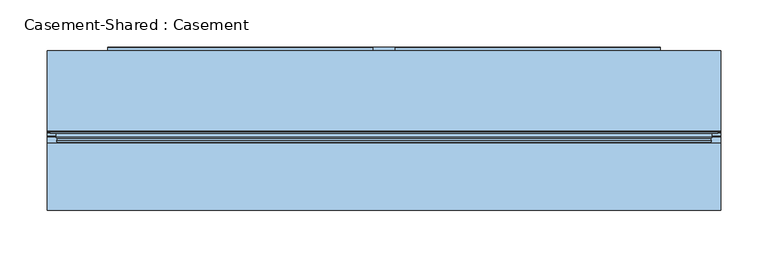
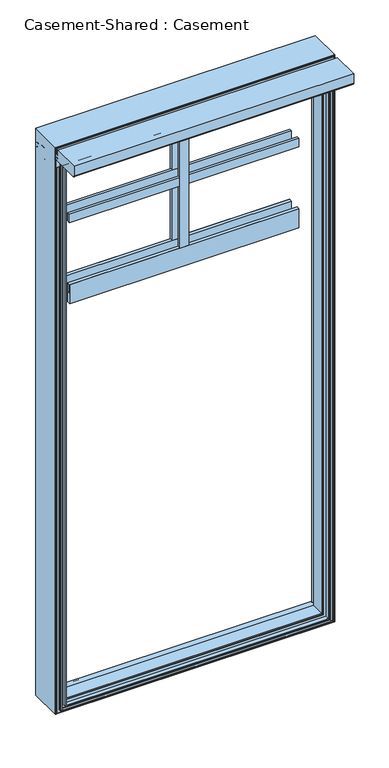
"""IFC4 building model written with IfcOpenShell, lengths in millimetres: window geometry, Casement-Shared : Casement."""

from ifc_helpers import new_model, si_unit, point, frame, frame_2d, origin, place, context, project, spatial, polyline, circle_curve, ellipse_curve, trimmed, segment, composite_curve, outline, extrude, source, transform, mapped, element, save
from ifc_brep_helpers import plane_surface, cylinder_surface, advanced_brep


def casement_shared_casement_5e302ec0(model_context):
    return source(origin(), model_context, "Body", "SolidModel", [
        extrude(outline(polyline([(291.703125, 65.7177777), (-291.703125, 65.7177777), (-291.703125, 73.4218751), (291.703125, 73.4218751), (291.703125, 65.7177777)])), frame((0.0, 0.0, 2185.590625), z_axis=(0.0, 0.0, 1.0), x_axis=(1.0, 0.0, 0.0)), (0.0, 0.0, 1.0), 22.225),
        extrude(outline(polyline([(291.703125, 65.7177777), (-291.703125, 65.7177777), (-291.703125, 73.4218751), (291.703125, 73.4218751), (291.703125, 65.7177777)])), frame((0.0, 0.0, 1996.678125), z_axis=(0.0, 0.0, 1.0), x_axis=(1.0, 0.0, 0.0)), (0.0, 0.0, 1.0), 22.225),
        extrude(outline(polyline([(11.1125, 65.0875001), (-11.1125, 65.0875001), (-11.1125, 73.4218751), (11.1125, 73.4218751), (11.1125, 65.0875001)])), frame((0.0, 0.0, 2018.903125), z_axis=(0.0, 0.0, 1.0), x_axis=(1.0, 0.0, 0.0)), (0.0, 0.0, 1.0), 355.6),
        extrude(outline(polyline([(291.703125, 65.0875001), (-291.703125, 65.0875001), (-291.703125, 73.4218751), (291.703125, 73.4218751), (291.703125, 65.0875001)])), frame((0.0, 0.0, 1968.103125), z_axis=(0.0, 0.0, 1.0), x_axis=(1.0, 0.0, 0.0)), (0.0, 0.0, 1.0), 50.8),
        extrude(outline(polyline([(-291.703125, 106.5259725), (291.703125, 106.5259725), (291.703125, 98.8218751), (-291.703125, 98.8218751), (-291.703125, 106.5259725)])), frame((0.0, 0.0, 2185.590625), z_axis=(0.0, 0.0, 1.0), x_axis=(1.0, 0.0, 0.0)), (0.0, 0.0, 1.0), 22.225),
        extrude(outline(polyline([(-291.703125, 106.5259725), (291.703125, 106.5259725), (291.703125, 98.8218751), (-291.703125, 98.8218751), (-291.703125, 106.5259725)])), frame((0.0, 0.0, 1996.678125), z_axis=(0.0, 0.0, 1.0), x_axis=(1.0, 0.0, 0.0)), (0.0, 0.0, 1.0), 22.225),
        extrude(outline(polyline([(-11.1125, 107.1562501), (11.1125, 107.1562501), (11.1125, 98.8218751), (-11.1125, 98.8218751), (-11.1125, 107.1562501)])), frame((0.0, 0.0, 2018.903125), z_axis=(0.0, 0.0, 1.0), x_axis=(1.0, 0.0, 0.0)), (0.0, 0.0, 1.0), 355.6),
        extrude(outline(polyline([(-291.703125, 107.1562501), (291.703125, 107.1562501), (291.703125, 98.8218751), (-291.703125, 98.8218751), (-291.703125, 107.1562501)])), frame((0.0, 0.0, 1968.103125), z_axis=(0.0, 0.0, 1.0), x_axis=(1.0, 0.0, 0.0)), (0.0, 0.0, 1.0), 50.8),
        advanced_brep(
        [(-338.1375, 63.8968751, 2420.9375), (-338.1375, 89.8216812, 2420.9375), (338.1375, 89.8216812, 2420.9375), (338.1375, 63.8968751, 2420.9375), (-326.23125, 59.8229148, 2409.03125), (-330.3052102, 63.8968751, 2413.1052102), (330.3052102, 63.8968751, 2413.1052102), (326.23125, 59.8229148, 2409.03125), (-326.23125, 24.0431242, 2409.03125), (326.23125, 24.0431242, 2409.03125), (-333.375, 20.4068759, 2416.175), (-333.375, 24.0431242, 2416.175), (333.375, 24.0431242, 2416.175), (333.375, 20.4068759, 2416.175), (-326.23125, 18.6531251, 2409.03125), (-326.23125, 20.4068759, 2409.03125), (326.23125, 20.4068759, 2409.03125), (326.23125, 18.6531251, 2409.03125), (-333.375, 8.1359376, 2416.175), (-333.375, 18.6531251, 2416.175), (333.375, 18.6531251, 2416.175), (333.375, 8.1359376, 2416.175), (-335.359375, 8.1359376, 2418.159375), (335.359375, 8.1359376, 2418.159375), (-335.359375, 16.6687501, 2418.159375), (335.359375, 16.6687501, 2418.159375), (-344.090625, 11.954775, 2426.890625), (-344.090625, 16.6687501, 2426.890625), (344.090625, 16.6687501, 2426.890625), (344.090625, 11.954775, 2426.890625), (-342.3979148, 12.4083353, 2425.1979148), (342.3979148, 12.4083353, 2425.1979148), (-343.6115088, 7.8791405, 2426.4115088), (343.6115088, 7.8791405, 2426.4115088), (-345.5282679, 8.3927346, 2428.3282679), (345.5282679, 8.3927346, 2428.3282679), (-344.9978709, 10.3722032, 2427.7978709), (344.9978709, 10.3722032, 2427.7978709), (-346.075, 12.2857942, 2428.875), (346.075, 12.2857942, 2428.875), (-346.075, 16.6687501, 2428.875), (346.075, 16.6687501, 2428.875), (-352.6234375, 18.2562501, 2435.4234375), (-352.6234375, 16.6687501, 2435.4234375), (352.6234375, 16.6687501, 2435.4234375), (352.6234375, 18.2562501, 2435.4234375), (-351.63125, 18.5102501, 2434.43125), (351.63125, 18.5102501, 2434.43125), (-351.63125, 24.6062501, 2434.43125), (351.63125, 24.6062501, 2434.43125), (-353.615625, 20.3086842, 2436.415625), (-353.615625, 24.6062501, 2436.415625), (353.615625, 24.6062501, 2436.415625), (353.615625, 20.3086842, 2436.415625), (-354.687981, 18.3832501, 2437.487981), (354.687981, 18.3832501, 2437.487981), (-355.6, 18.3832501, 2438.4), (355.6, 18.3832501, 2438.4), (-355.6, 103.5843751, 2438.4), (355.6, 103.5843751, 2438.4), (338.1375, 89.8216812, 931.8625), (338.1375, 63.8968751, 931.8625), (330.3052102, 63.8968751, 939.6947898), (326.23125, 59.8229148, 943.76875), (326.23125, 24.0431242, 943.76875), (333.375, 24.0431242, 936.625), (333.375, 20.4068759, 936.625), (326.23125, 20.4068759, 943.76875), (326.23125, 18.6531251, 943.76875), (333.375, 18.6531251, 936.625), (333.375, 8.1359376, 936.625), (335.359375, 8.1359376, 934.640625), (335.359375, 16.6687501, 934.640625), (344.090625, 16.6687501, 925.909375), (344.090625, 11.954775, 925.909375), (342.3979148, 12.4083353, 927.6020852), (343.6115088, 7.8791405, 926.3884912), (345.5282679, 8.3927346, 924.4717321), (344.9978709, 10.3722032, 925.0021291), (346.075, 12.2857942, 923.925), (346.075, 16.6687501, 923.925), (352.6234375, 16.6687501, 917.3765625), (352.6234375, 18.2562501, 917.3765625), (351.63125, 18.5102501, 918.36875), (351.63125, 24.6062501, 918.36875), (353.615625, 24.6062501, 916.384375), (353.615625, 20.3086842, 916.384375), (354.687981, 18.3832501, 915.312019), (355.6, 18.3832501, 914.4), (355.6, 103.5843751, 914.4), (-338.1375, 89.8216812, 931.8625), (-338.1375, 63.8968751, 931.8625), (-330.3052102, 63.8968751, 939.6947898), (-326.23125, 59.8229148, 943.76875), (-326.23125, 24.0431242, 943.76875), (-333.375, 24.0431242, 936.625), (-333.375, 20.4068759, 936.625), (-326.23125, 20.4068759, 943.76875), (-326.23125, 18.6531251, 943.76875), (-333.375, 18.6531251, 936.625), (-333.375, 8.1359376, 936.625), (-335.359375, 8.1359376, 934.640625), (-335.359375, 16.6687501, 934.640625), (-344.090625, 16.6687501, 925.909375), (-344.090625, 11.954775, 925.909375), (-342.3979148, 12.4083353, 927.6020852), (-343.6115088, 7.8791405, 926.3884912), (-345.5282679, 8.3927346, 924.4717321), (-344.9978709, 10.3722032, 925.0021291), (-346.075, 12.2857942, 923.925), (-346.075, 16.6687501, 923.925), (-352.6234375, 16.6687501, 917.3765625), (-352.6234375, 18.2562501, 917.3765625), (-351.63125, 18.5102501, 918.36875), (-351.63125, 24.6062501, 918.36875), (-353.615625, 24.6062501, 916.384375), (-353.615625, 20.3086842, 916.384375), (-354.687981, 18.3832501, 915.312019), (-355.6, 18.3832501, 914.4), (-355.6, 103.5843751, 914.4), (-352.8202442, 101.4973017, 2435.6202442), (-352.8202442, 103.5843751, 2435.6202442), (352.8202442, 103.5843751, 2435.6202442), (352.8202442, 101.4973017, 2435.6202442), (-353.614659, 95.3928751, 2436.414659), (-353.614659, 101.4973017, 2436.414659), (353.614659, 101.4973017, 2436.414659), (353.614659, 95.3928751, 2436.414659), (-351.5972205, 99.817441, 2434.3972205), (-351.6333225, 95.3928751, 2434.4333225), (351.6333225, 95.3928751, 2434.4333225), (351.5972205, 99.817441, 2434.3972205), (-349.646875, 101.7677864, 2432.446875), (349.646875, 101.7677864, 2432.446875), (-349.646875, 95.3928751, 2432.446875), (349.646875, 95.3928751, 2432.446875), (-346.7302122, 94.2736876, 2429.5302122), (-348.6687018, 95.3928751, 2431.4687018), (348.6687018, 95.3928751, 2431.4687018), (346.7302122, 94.2736876, 2429.5302122), (-342.4061354, 86.7841668, 2425.2061354), (342.4061354, 86.7841668, 2425.2061354), (-342.10625, 85.6649793, 2424.90625), (342.10625, 85.6649793, 2424.90625), (-342.10625, 81.8991251, 2424.90625), (342.10625, 81.8991251, 2424.90625), (-340.121875, 87.9951251, 2422.921875), (-340.121875, 81.8991251, 2422.921875), (340.121875, 81.8991251, 2422.921875), (340.121875, 87.9951251, 2422.921875), (-341.1197561, 89.024415, 2423.9197561), (341.1197561, 89.024415, 2423.9197561), (-340.32249, 89.8216812, 2423.12249), (340.32249, 89.8216812, 2423.12249), (352.8202442, 103.5843751, 917.1797558), (352.8202442, 101.4973017, 917.1797558), (353.614659, 101.4973017, 916.385341), (353.614659, 95.3928751, 916.385341), (351.6333225, 95.3928751, 918.3666775), (351.5972205, 99.817441, 918.4027795), (349.646875, 101.7677864, 920.353125), (349.646875, 95.3928751, 920.353125), (348.6687018, 95.3928751, 921.3312982), (346.7302122, 94.2736876, 923.2697878), (342.4061354, 86.7841668, 927.5938646), (342.10625, 85.6649793, 927.89375), (342.10625, 81.8991251, 927.89375), (340.121875, 81.8991251, 929.878125), (340.121875, 87.9951251, 929.878125), (341.1197561, 89.024415, 928.8802439), (340.32249, 89.8216812, 929.67751), (-352.8202442, 103.5843751, 917.1797558), (-352.8202442, 101.4973017, 917.1797558), (-353.614659, 101.4973017, 916.385341), (-353.614659, 95.3928751, 916.385341), (-351.6333225, 95.3928751, 918.3666775), (-351.5972205, 99.817441, 918.4027795), (-349.646875, 101.7677864, 920.353125), (-349.646875, 95.3928751, 920.353125), (-348.6687018, 95.3928751, 921.3312982), (-346.7302122, 94.2736876, 923.2697878), (-342.4061354, 86.7841668, 927.5938646), (-342.10625, 85.6649793, 927.89375), (-342.10625, 81.8991251, 927.89375), (-340.121875, 81.8991251, 929.878125), (-340.121875, 87.9951251, 929.878125), (-341.1197561, 89.024415, 928.8802439), (-340.32249, 89.8216812, 929.67751)],
        [
            (0, 1),
            (1, 2),
            (2, 3),
            (3, 0),
            (4, 5),
            (5, 6),
            (6, 7),
            (7, 4),
            (8, 4),
            (7, 9),
            (9, 8),
            (10, 11),
            (11, 12),
            (12, 13),
            (13, 10),
            (14, 15),
            (15, 16),
            (16, 17),
            (17, 14),
            (18, 19),
            (19, 20),
            (20, 21),
            (21, 18),
            (22, 18, ellipse_curve(frame((-334.3671875, 8.1359376, 2417.1671875), z_axis=(0.7071067811865475, 0.0, 0.7071067811865475), x_axis=(-0.7071067811865476, 0.0, 0.7071067811865474)), 1.403165, 0.9921875)),
            (21, 23, ellipse_curve(frame((334.3671875, 8.1359376, 2417.1671875), z_axis=(-0.7071067811865475, 0.0, 0.7071067811865475), x_axis=(-0.7071067811865476, 0.0, -0.7071067811865474)), 1.403165, 0.9921875)),
            (23, 22),
            (24, 22),
            (23, 25),
            (25, 24),
            (26, 27),
            (27, 28),
            (28, 29),
            (29, 26),
            (30, 26),
            (29, 31),
            (31, 30),
            (32, 30),
            (31, 33),
            (33, 32),
            (34, 32, ellipse_curve(frame((-344.5698884, 8.1359376, 2427.3698884), z_axis=(0.7071067811865475, 0.0, 0.7071067811865475), x_axis=(-0.7071067811865476, 0.0, 0.7071067811865474)), 1.403165, 0.9921875)),
            (33, 35, ellipse_curve(frame((344.5698884, 8.1359376, 2427.3698884), z_axis=(-0.7071067811865475, 0.0, 0.7071067811865475), x_axis=(-0.7071067811865476, 0.0, -0.7071067811865474)), 1.403165, 0.9921875)),
            (35, 34),
            (36, 34),
            (35, 37),
            (37, 36),
            (38, 36, ellipse_curve(frame((-343.836625, 12.2857942, 2426.636625), z_axis=(0.7071067811865475, 0.0, 0.7071067811865475), x_axis=(-0.7071067811865476, 0.0, 0.7071067811865474)), 3.1655403, 2.238375)),
            (37, 39, ellipse_curve(frame((343.836625, 12.2857942, 2426.636625), z_axis=(-0.7071067811865475, 0.0, 0.7071067811865475), x_axis=(-0.7071067811865476, 0.0, -0.7071067811865474)), 3.1655403, 2.238375)),
            (39, 38),
            (40, 38),
            (39, 41),
            (41, 40),
            (42, 43),
            (43, 44),
            (44, 45),
            (45, 42),
            (46, 42),
            (45, 47),
            (47, 46),
            (48, 46),
            (47, 49),
            (49, 48),
            (50, 51),
            (51, 52),
            (52, 53),
            (53, 50),
            (54, 50),
            (53, 55),
            (55, 54),
            (56, 54, ellipse_curve(frame((-355.1439905, 18.3832501, 2437.9439905), z_axis=(0.7071067811865475, 0.0, 0.7071067811865475), x_axis=(-0.7071067811865476, 0.0, 0.7071067811865474)), 0.6448949, 0.4560095)),
            (55, 57, ellipse_curve(frame((355.1439905, 18.3832501, 2437.9439905), z_axis=(-0.7071067811865475, 0.0, 0.7071067811865475), x_axis=(-0.7071067811865476, 0.0, -0.7071067811865474)), 0.6448949, 0.4560095)),
            (57, 56),
            (58, 56),
            (57, 59),
            (59, 58),
            (2, 60),
            (60, 61),
            (61, 3),
            (6, 62),
            (62, 63),
            (63, 7),
            (63, 64),
            (64, 9),
            (12, 65),
            (65, 66),
            (66, 13),
            (16, 67),
            (67, 68),
            (68, 17),
            (20, 69),
            (69, 70),
            (70, 21),
            (70, 71, ellipse_curve(frame((334.3671875, 8.1359376, 935.6328125), z_axis=(0.7071067811865475, 0.0, 0.7071067811865475), x_axis=(-0.7071067811865474, 0.0, 0.7071067811865476)), 1.403165, 0.9921875)),
            (71, 23),
            (71, 72),
            (72, 25),
            (28, 73),
            (73, 74),
            (74, 29),
            (74, 75),
            (75, 31),
            (75, 76),
            (76, 33),
            (76, 77, ellipse_curve(frame((344.5698884, 8.1359376, 925.4301116), z_axis=(0.7071067811865475, 0.0, 0.7071067811865475), x_axis=(-0.7071067811865474, 0.0, 0.7071067811865476)), 1.403165, 0.9921875)),
            (77, 35),
            (77, 78),
            (78, 37),
            (78, 79, ellipse_curve(frame((343.836625, 12.2857942, 926.163375), z_axis=(0.7071067811865475, 0.0, 0.7071067811865475), x_axis=(-0.7071067811865474, 0.0, 0.7071067811865476)), 3.1655403, 2.238375)),
            (79, 39),
            (79, 80),
            (80, 41),
            (44, 81),
            (81, 82),
            (82, 45),
            (82, 83),
            (83, 47),
            (83, 84),
            (84, 49),
            (52, 85),
            (85, 86),
            (86, 53),
            (86, 87),
            (87, 55),
            (87, 88, ellipse_curve(frame((355.1439905, 18.3832501, 914.8560095), z_axis=(0.7071067811865475, 0.0, 0.7071067811865475), x_axis=(-0.7071067811865474, 0.0, 0.7071067811865476)), 0.6448949, 0.4560095)),
            (88, 57),
            (88, 89),
            (89, 59),
            (60, 90),
            (90, 91),
            (91, 61),
            (62, 92),
            (92, 93),
            (93, 63),
            (93, 94),
            (94, 64),
            (65, 95),
            (95, 96),
            (96, 66),
            (67, 97),
            (97, 98),
            (98, 68),
            (69, 99),
            (99, 100),
            (100, 70),
            (100, 101, ellipse_curve(frame((-334.3671875, 8.1359376, 935.6328125), z_axis=(0.7071067811865475, 0.0, -0.7071067811865475), x_axis=(0.7071067811865476, 0.0, 0.7071067811865474)), 1.403165, 0.9921875)),
            (101, 71),
            (101, 102),
            (102, 72),
            (73, 103),
            (103, 104),
            (104, 74),
            (104, 105),
            (105, 75),
            (105, 106),
            (106, 76),
            (106, 107, ellipse_curve(frame((-344.5698884, 8.1359376, 925.4301116), z_axis=(0.7071067811865475, 0.0, -0.7071067811865475), x_axis=(0.7071067811865476, 0.0, 0.7071067811865474)), 1.403165, 0.9921875)),
            (107, 77),
            (107, 108),
            (108, 78),
            (108, 109, ellipse_curve(frame((-343.836625, 12.2857942, 926.163375), z_axis=(0.7071067811865475, 0.0, -0.7071067811865475), x_axis=(0.7071067811865476, 0.0, 0.7071067811865474)), 3.1655403, 2.238375)),
            (109, 79),
            (109, 110),
            (110, 80),
            (81, 111),
            (111, 112),
            (112, 82),
            (112, 113),
            (113, 83),
            (113, 114),
            (114, 84),
            (85, 115),
            (115, 116),
            (116, 86),
            (116, 117),
            (117, 87),
            (117, 118, ellipse_curve(frame((-355.1439905, 18.3832501, 914.8560095), z_axis=(0.7071067811865475, 0.0, -0.7071067811865475), x_axis=(0.7071067811865476, 0.0, 0.7071067811865474)), 0.6448949, 0.4560095)),
            (118, 88),
            (118, 119),
            (119, 89),
            (90, 1),
            (0, 91),
            (5, 92),
            (4, 93),
            (8, 94),
            (11, 95),
            (10, 96),
            (15, 97),
            (14, 98),
            (19, 99),
            (18, 100),
            (22, 101),
            (24, 102),
            (27, 103),
            (26, 104),
            (30, 105),
            (32, 106),
            (34, 107),
            (36, 108),
            (38, 109),
            (40, 110),
            (43, 111),
            (42, 112),
            (46, 113),
            (48, 114),
            (51, 115),
            (50, 116),
            (54, 117),
            (56, 118),
            (58, 119),
            (120, 121),
            (121, 122),
            (122, 123),
            (123, 120),
            (124, 125),
            (125, 126),
            (126, 127),
            (127, 124),
            (128, 129),
            (129, 130),
            (130, 131),
            (131, 128),
            (132, 128),
            (131, 133),
            (133, 132),
            (134, 132),
            (133, 135),
            (135, 134),
            (136, 137, ellipse_curve(frame((-348.6687018, 93.1545001, 2431.4687018), z_axis=(0.7071067811865475, 0.0, 0.7071067811865475), x_axis=(-0.7071067811865476, 0.0, 0.7071067811865474)), 3.1655403, 2.238375)),
            (137, 138),
            (138, 139, ellipse_curve(frame((348.6687018, 93.1545001, 2431.4687018), z_axis=(-0.7071067811865475, 0.0, 0.7071067811865475), x_axis=(-0.7071067811865476, 0.0, -0.7071067811865474)), 3.1655403, 2.238375)),
            (139, 136),
            (140, 136),
            (139, 141),
            (141, 140),
            (142, 140, ellipse_curve(frame((-344.344625, 85.6649793, 2427.144625), z_axis=(0.7071067811865475, 0.0, 0.7071067811865475), x_axis=(-0.7071067811865476, 0.0, 0.7071067811865474)), 3.1655403, 2.238375)),
            (141, 143, ellipse_curve(frame((344.344625, 85.6649793, 2427.144625), z_axis=(-0.7071067811865475, 0.0, 0.7071067811865475), x_axis=(-0.7071067811865476, 0.0, -0.7071067811865474)), 3.1655403, 2.238375)),
            (143, 142),
            (144, 142),
            (143, 145),
            (145, 144),
            (146, 147),
            (147, 148),
            (148, 149),
            (149, 146),
            (150, 146),
            (149, 151),
            (151, 150),
            (152, 150, ellipse_curve(frame((-340.32249, 89.024415, 2423.12249), z_axis=(0.7071067811865475, 0.0, 0.7071067811865475), x_axis=(-0.7071067811865476, 0.0, 0.7071067811865474)), 1.1275046, 0.7972662)),
            (151, 153, ellipse_curve(frame((340.32249, 89.024415, 2423.12249), z_axis=(-0.7071067811865475, 0.0, 0.7071067811865475), x_axis=(-0.7071067811865476, 0.0, -0.7071067811865474)), 1.1275046, 0.7972662)),
            (153, 152),
            (122, 154),
            (154, 155),
            (155, 123),
            (126, 156),
            (156, 157),
            (157, 127),
            (130, 158),
            (158, 159),
            (159, 131),
            (159, 160),
            (160, 133),
            (160, 161),
            (161, 135),
            (138, 162),
            (162, 163, ellipse_curve(frame((348.6687018, 93.1545001, 921.3312982), z_axis=(0.7071067811865475, 0.0, 0.7071067811865475), x_axis=(-0.7071067811865474, 0.0, 0.7071067811865476)), 3.1655403, 2.238375)),
            (163, 139),
            (163, 164),
            (164, 141),
            (164, 165, ellipse_curve(frame((344.344625, 85.6649793, 925.655375), z_axis=(0.7071067811865475, 0.0, 0.7071067811865475), x_axis=(-0.7071067811865474, 0.0, 0.7071067811865476)), 3.1655403, 2.238375)),
            (165, 143),
            (165, 166),
            (166, 145),
            (148, 167),
            (167, 168),
            (168, 149),
            (168, 169),
            (169, 151),
            (169, 170, ellipse_curve(frame((340.32249, 89.024415, 929.67751), z_axis=(0.7071067811865475, 0.0, 0.7071067811865475), x_axis=(-0.7071067811865474, 0.0, 0.7071067811865476)), 1.1275046, 0.7972662)),
            (170, 153),
            (154, 171),
            (171, 172),
            (172, 155),
            (156, 173),
            (173, 174),
            (174, 157),
            (158, 175),
            (175, 176),
            (176, 159),
            (176, 177),
            (177, 160),
            (177, 178),
            (178, 161),
            (162, 179),
            (179, 180, ellipse_curve(frame((-348.6687018, 93.1545001, 921.3312982), z_axis=(0.7071067811865475, 0.0, -0.7071067811865475), x_axis=(0.7071067811865476, 0.0, 0.7071067811865474)), 3.1655403, 2.238375)),
            (180, 163),
            (180, 181),
            (181, 164),
            (181, 182, ellipse_curve(frame((-344.344625, 85.6649793, 925.655375), z_axis=(0.7071067811865475, 0.0, -0.7071067811865475), x_axis=(0.7071067811865476, 0.0, 0.7071067811865474)), 3.1655403, 2.238375)),
            (182, 165),
            (182, 183),
            (183, 166),
            (167, 184),
            (184, 185),
            (185, 168),
            (185, 186),
            (186, 169),
            (186, 187, ellipse_curve(frame((-340.32249, 89.024415, 929.67751), z_axis=(0.7071067811865475, 0.0, -0.7071067811865475), x_axis=(0.7071067811865476, 0.0, 0.7071067811865474)), 1.1275046, 0.7972662)),
            (187, 170),
            (121, 171),
            (120, 172),
            (125, 173),
            (124, 174),
            (129, 175),
            (128, 176),
            (132, 177),
            (134, 178),
            (137, 179),
            (136, 180),
            (140, 181),
            (142, 182),
            (144, 183),
            (147, 184),
            (146, 185),
            (150, 186),
            (152, 187),
        ],
        [
            plane_surface(frame((-338.1375, 89.8216812, 2420.9375), z_axis=(0.0, 0.0, -1.0), x_axis=(1.0, 0.0, 0.0))),
            plane_surface(frame((-330.3052102, 63.8968751, 2413.1052102), z_axis=(0.0, 0.7071067811858354, -0.7071067811872597), x_axis=(1.0, 0.0, 0.0))),
            plane_surface(frame((-326.23125, 59.8229148, 2409.03125), z_axis=(0.0, 0.0, -1.0), x_axis=(1.0, 0.0, 0.0))),
            plane_surface(frame((-333.375, 24.0431242, 2416.175), z_axis=(0.0, 0.0, -1.0), x_axis=(1.0, 0.0, 0.0))),
            plane_surface(frame((-326.23125, 20.4068759, 2409.03125), z_axis=(0.0, 0.0, -1.0), x_axis=(1.0, 0.0, 0.0))),
            plane_surface(frame((-333.375, 18.6531251, 2416.175), z_axis=(0.0, 0.0, -1.0), x_axis=(1.0, 0.0, 0.0))),
            cylinder_surface(frame((-355.6, 8.1359376, 2417.1671875), z_axis=(-1.0, 0.0, 0.0), x_axis=(0.0, -1.0, 0.0)), 0.9921875),
            plane_surface(frame((-335.359375, 8.1359376, 2418.159375), z_axis=(0.0, 0.0, 1.0), x_axis=(1.0, 0.0, 0.0))),
            plane_surface(frame((-344.090625, 16.6687501, 2426.890625), z_axis=(0.0, 0.0, -1.0), x_axis=(1.0, 0.0, 0.0))),
            plane_surface(frame((-344.090625, 11.954775, 2426.890625), z_axis=(0.0, 0.9659258262935724, 0.25881904508571146), x_axis=(1.0, 0.0, 0.0))),
            plane_surface(frame((-342.3979148, 12.4083353, 2425.1979148), z_axis=(0.0, -0.2588190451044215, -0.965925826288559), x_axis=(1.0, 0.0, 0.0))),
            cylinder_surface(frame((-355.6, 8.1359376, 2427.3698884), z_axis=(-1.0, 0.0, 0.0), x_axis=(0.0, -1.0, 0.0)), 0.9921875),
            plane_surface(frame((-345.5282679, 8.3927346, 2428.3282679), z_axis=(0.0, 0.25881904510256676, 0.965925826289056), x_axis=(1.0, 0.0, 0.0))),
            cylinder_surface(frame((-355.6, 12.2857942, 2426.636625), z_axis=(-1.0, 0.0, 0.0), x_axis=(0.0, -1.0, 0.0)), 2.238375),
            plane_surface(frame((-346.075, 12.2857942, 2428.875), z_axis=(0.0, 0.0, 1.0), x_axis=(1.0, 0.0, 0.0))),
            plane_surface(frame((-352.6234375, 16.6687501, 2435.4234375), z_axis=(0.0, 0.0, 1.0), x_axis=(1.0, 0.0, 0.0))),
            plane_surface(frame((-352.6234375, 18.2562501, 2435.4234375), z_axis=(0.0, 0.9687594151768831, 0.24800241028293146), x_axis=(1.0, 0.0, 0.0))),
            plane_surface(frame((-351.63125, 18.5102501, 2434.43125), z_axis=(0.0, 0.0, 1.0), x_axis=(1.0, 0.0, 0.0))),
            plane_surface(frame((-353.615625, 24.6062501, 2436.415625), z_axis=(0.0, 0.0, -1.0), x_axis=(1.0, 0.0, 0.0))),
            plane_surface(frame((-353.615625, 20.3086842, 2436.415625), z_axis=(0.0, -0.48656853314646553, -0.8736424111452563), x_axis=(1.0, 0.0, 0.0))),
            cylinder_surface(frame((-355.6, 18.3832501, 2437.9439905), z_axis=(-1.0, 0.0, 0.0), x_axis=(0.0, -1.0, 0.0)), 0.4560095),
            plane_surface(frame((-355.6, 18.3832501, 2438.4), z_axis=(0.0, 0.0, 1.0), x_axis=(1.0, 0.0, 0.0))),
            plane_surface(frame((338.1375, 89.8216812, 2420.9375), z_axis=(-1.0, 0.0, 0.0), x_axis=(0.0, 0.0, -1.0))),
            plane_surface(frame((330.3052102, 63.8968751, 2413.1052102), z_axis=(-0.7071067811872597, 0.7071067811858354, 0.0), x_axis=(0.0, 0.0, -1.0))),
            plane_surface(frame((326.23125, 59.8229148, 2409.03125), z_axis=(-1.0, 0.0, 0.0), x_axis=(0.0, 0.0, -1.0))),
            plane_surface(frame((333.375, 24.0431242, 2416.175), z_axis=(-1.0, 0.0, 0.0), x_axis=(0.0, 0.0, -1.0))),
            plane_surface(frame((326.23125, 20.4068759, 2409.03125), z_axis=(-1.0, 0.0, 0.0), x_axis=(0.0, 0.0, -1.0))),
            plane_surface(frame((333.375, 18.6531251, 2416.175), z_axis=(-1.0, 0.0, 0.0), x_axis=(0.0, 0.0, -1.0))),
            cylinder_surface(frame((334.3671875, 8.1359376, 2438.4), z_axis=(0.0, 0.0, 1.0), x_axis=(0.0, -1.0, 0.0)), 0.9921875),
            plane_surface(frame((335.359375, 8.1359376, 2418.159375), z_axis=(1.0, 0.0, 0.0), x_axis=(0.0, 0.0, -1.0))),
            plane_surface(frame((344.090625, 16.6687501, 2426.890625), z_axis=(-1.0, 0.0, 0.0), x_axis=(0.0, 0.0, -1.0))),
            plane_surface(frame((344.090625, 11.954775, 2426.890625), z_axis=(0.25881904508571146, 0.9659258262935724, 0.0), x_axis=(0.0, 0.0, -1.0))),
            plane_surface(frame((342.3979148, 12.4083353, 2425.1979148), z_axis=(-0.965925826288559, -0.2588190451044215, 0.0), x_axis=(0.0, 0.0, -1.0))),
            cylinder_surface(frame((344.5698884, 8.1359376, 2438.4), z_axis=(0.0, 0.0, 1.0), x_axis=(0.0, -1.0, 0.0)), 0.9921875),
            plane_surface(frame((345.5282679, 8.3927346, 2428.3282679), z_axis=(0.965925826289056, 0.25881904510256676, 0.0), x_axis=(0.0, 0.0, -1.0))),
            cylinder_surface(frame((343.836625, 12.2857942, 2438.4), z_axis=(0.0, 0.0, 1.0), x_axis=(0.0, -1.0, 0.0)), 2.238375),
            plane_surface(frame((346.075, 12.2857942, 2428.875), z_axis=(1.0, 0.0, 0.0), x_axis=(0.0, 0.0, -1.0))),
            plane_surface(frame((352.6234375, 16.6687501, 2435.4234375), z_axis=(1.0, 0.0, 0.0), x_axis=(0.0, 0.0, -1.0))),
            plane_surface(frame((352.6234375, 18.2562501, 2435.4234375), z_axis=(0.24800241028293146, 0.9687594151768831, 0.0), x_axis=(0.0, 0.0, -1.0))),
            plane_surface(frame((351.63125, 18.5102501, 2434.43125), z_axis=(1.0, 0.0, 0.0), x_axis=(0.0, 0.0, -1.0))),
            plane_surface(frame((353.615625, 24.6062501, 2436.415625), z_axis=(-1.0, 0.0, 0.0), x_axis=(0.0, 0.0, -1.0))),
            plane_surface(frame((353.615625, 20.3086842, 2436.415625), z_axis=(-0.8736424111452563, -0.48656853314646553, 0.0), x_axis=(0.0, 0.0, -1.0))),
            cylinder_surface(frame((355.1439905, 18.3832501, 2438.4), z_axis=(0.0, 0.0, 1.0), x_axis=(0.0, -1.0, 0.0)), 0.4560095),
            plane_surface(frame((355.6, 18.3832501, 2438.4), z_axis=(1.0, 0.0, 0.0), x_axis=(0.0, 0.0, -1.0))),
            plane_surface(frame((338.1375, 89.8216812, 931.8625), z_axis=(0.0, 0.0, 1.0), x_axis=(-1.0, 0.0, 0.0))),
            plane_surface(frame((330.3052102, 63.8968751, 939.6947898), z_axis=(0.0, 0.7071067811858354, 0.7071067811872597), x_axis=(-1.0, 0.0, 0.0))),
            plane_surface(frame((326.23125, 59.8229148, 943.76875), z_axis=(0.0, 0.0, 1.0), x_axis=(-1.0, 0.0, 0.0))),
            plane_surface(frame((333.375, 24.0431242, 936.625), z_axis=(0.0, 0.0, 1.0), x_axis=(-1.0, 0.0, 0.0))),
            plane_surface(frame((326.23125, 20.4068759, 943.76875), z_axis=(0.0, 0.0, 1.0), x_axis=(-1.0, 0.0, 0.0))),
            plane_surface(frame((333.375, 18.6531251, 936.625), z_axis=(0.0, 0.0, 1.0), x_axis=(-1.0, 0.0, 0.0))),
            cylinder_surface(frame((355.6, 8.1359376, 935.6328125), z_axis=(1.0, 0.0, 0.0), x_axis=(0.0, -1.0, 0.0)), 0.9921875),
            plane_surface(frame((335.359375, 8.1359376, 934.640625), z_axis=(0.0, 0.0, -1.0), x_axis=(-1.0, 0.0, 0.0))),
            plane_surface(frame((344.090625, 16.6687501, 925.909375), z_axis=(0.0, 0.0, 1.0), x_axis=(-1.0, 0.0, 0.0))),
            plane_surface(frame((344.090625, 11.954775, 925.909375), z_axis=(0.0, 0.9659258262935724, -0.25881904508571146), x_axis=(-1.0, 0.0, 0.0))),
            plane_surface(frame((342.3979148, 12.4083353, 927.6020852), z_axis=(0.0, -0.2588190451044215, 0.965925826288559), x_axis=(-1.0, 0.0, 0.0))),
            cylinder_surface(frame((355.6, 8.1359376, 925.4301116), z_axis=(1.0, 0.0, 0.0), x_axis=(0.0, -1.0, 0.0)), 0.9921875),
            plane_surface(frame((345.5282679, 8.3927346, 924.4717321), z_axis=(0.0, 0.25881904510256676, -0.965925826289056), x_axis=(-1.0, 0.0, 0.0))),
            cylinder_surface(frame((355.6, 12.2857942, 926.163375), z_axis=(1.0, 0.0, 0.0), x_axis=(0.0, -1.0, 0.0)), 2.238375),
            plane_surface(frame((346.075, 12.2857942, 923.925), z_axis=(0.0, 0.0, -1.0), x_axis=(-1.0, 0.0, 0.0))),
            plane_surface(frame((352.6234375, 16.6687501, 917.3765625), z_axis=(0.0, 0.0, -1.0), x_axis=(-1.0, 0.0, 0.0))),
            plane_surface(frame((352.6234375, 18.2562501, 917.3765625), z_axis=(0.0, 0.9687594151768831, -0.24800241028293146), x_axis=(-1.0, 0.0, 0.0))),
            plane_surface(frame((351.63125, 18.5102501, 918.36875), z_axis=(0.0, 0.0, -1.0), x_axis=(-1.0, 0.0, 0.0))),
            plane_surface(frame((353.615625, 24.6062501, 916.384375), z_axis=(0.0, 0.0, 1.0), x_axis=(-1.0, 0.0, 0.0))),
            plane_surface(frame((353.615625, 20.3086842, 916.384375), z_axis=(0.0, -0.48656853314646553, 0.8736424111452563), x_axis=(-1.0, 0.0, 0.0))),
            cylinder_surface(frame((355.6, 18.3832501, 914.8560095), z_axis=(1.0, 0.0, 0.0), x_axis=(0.0, -1.0, 0.0)), 0.4560095),
            plane_surface(frame((355.6, 18.3832501, 914.4), z_axis=(0.0, 0.0, -1.0), x_axis=(-1.0, 0.0, 0.0))),
            plane_surface(frame((-338.1375, 89.8216812, 931.8625), z_axis=(1.0, 0.0, 0.0), x_axis=(0.0, 0.0, 1.0))),
            plane_surface(frame((-338.1375, 63.8968751, 931.8625), z_axis=(0.0, 1.0, 0.0), x_axis=(0.0, 0.0, 1.0))),
            plane_surface(frame((-330.3052102, 63.8968751, 939.6947898), z_axis=(0.7071067811872597, 0.7071067811858354, 0.0), x_axis=(0.0, 0.0, 1.0))),
            plane_surface(frame((-326.23125, 59.8229148, 943.76875), z_axis=(1.0, 0.0, 0.0), x_axis=(0.0, 0.0, 1.0))),
            plane_surface(frame((-326.23125, 24.0431242, 943.76875), z_axis=(0.0, -1.0, 0.0), x_axis=(0.0, 0.0, 1.0))),
            plane_surface(frame((-333.375, 24.0431242, 936.625), z_axis=(1.0, 0.0, 0.0), x_axis=(0.0, 0.0, 1.0))),
            plane_surface(frame((-333.375, 20.4068759, 936.625), z_axis=(0.0, 1.0, 0.0), x_axis=(0.0, 0.0, 1.0))),
            plane_surface(frame((-326.23125, 20.4068759, 943.76875), z_axis=(1.0, 0.0, 0.0), x_axis=(0.0, 0.0, 1.0))),
            plane_surface(frame((-326.23125, 18.6531251, 943.76875), z_axis=(0.0, -1.0, 0.0), x_axis=(0.0, 0.0, 1.0))),
            plane_surface(frame((-333.375, 18.6531251, 936.625), z_axis=(1.0, 0.0, 0.0), x_axis=(0.0, 0.0, 1.0))),
            cylinder_surface(frame((-334.3671875, 8.1359376, 914.4), z_axis=(0.0, 0.0, -1.0), x_axis=(0.0, -1.0, 0.0)), 0.9921875),
            plane_surface(frame((-335.359375, 8.1359376, 934.640625), z_axis=(-1.0, 0.0, 0.0), x_axis=(0.0, 0.0, 1.0))),
            plane_surface(frame((-335.359375, 16.6687501, 934.640625), z_axis=(0.0, -1.0, 0.0), x_axis=(0.0, 0.0, 1.0))),
            plane_surface(frame((-344.090625, 16.6687501, 925.909375), z_axis=(1.0, 0.0, 0.0), x_axis=(0.0, 0.0, 1.0))),
            plane_surface(frame((-344.090625, 11.954775, 925.909375), z_axis=(-0.25881904508571146, 0.9659258262935724, 0.0), x_axis=(0.0, 0.0, 1.0))),
            plane_surface(frame((-342.3979148, 12.4083353, 927.6020852), z_axis=(0.965925826288559, -0.2588190451044215, 0.0), x_axis=(0.0, 0.0, 1.0))),
            cylinder_surface(frame((-344.5698884, 8.1359376, 914.4), z_axis=(0.0, 0.0, -1.0), x_axis=(0.0, -1.0, 0.0)), 0.9921875),
            plane_surface(frame((-345.5282679, 8.3927346, 924.4717321), z_axis=(-0.965925826289056, 0.25881904510256676, 0.0), x_axis=(0.0, 0.0, 1.0))),
            cylinder_surface(frame((-343.836625, 12.2857942, 914.4), z_axis=(0.0, 0.0, -1.0), x_axis=(0.0, -1.0, 0.0)), 2.238375),
            plane_surface(frame((-346.075, 12.2857942, 923.925), z_axis=(-1.0, 0.0, 0.0), x_axis=(0.0, 0.0, 1.0))),
            plane_surface(frame((-346.075, 16.6687501, 923.925), z_axis=(0.0, -1.0, 0.0), x_axis=(0.0, 0.0, 1.0))),
            plane_surface(frame((-352.6234375, 16.6687501, 917.3765625), z_axis=(-1.0, 0.0, 0.0), x_axis=(0.0, 0.0, 1.0))),
            plane_surface(frame((-352.6234375, 18.2562501, 917.3765625), z_axis=(-0.24800241028293146, 0.9687594151768831, 0.0), x_axis=(0.0, 0.0, 1.0))),
            plane_surface(frame((-351.63125, 18.5102501, 918.36875), z_axis=(-1.0, 0.0, 0.0), x_axis=(0.0, 0.0, 1.0))),
            plane_surface(frame((-351.63125, 24.6062501, 918.36875), z_axis=(0.0, -1.0, 0.0), x_axis=(0.0, 0.0, 1.0))),
            plane_surface(frame((-353.615625, 24.6062501, 916.384375), z_axis=(1.0, 0.0, 0.0), x_axis=(0.0, 0.0, 1.0))),
            plane_surface(frame((-353.615625, 20.3086842, 916.384375), z_axis=(0.8736424111452563, -0.48656853314646553, 0.0), x_axis=(0.0, 0.0, 1.0))),
            cylinder_surface(frame((-355.1439905, 18.3832501, 914.4), z_axis=(0.0, 0.0, -1.0), x_axis=(0.0, -1.0, 0.0)), 0.4560095),
            plane_surface(frame((-355.6, 18.3832501, 914.4), z_axis=(-1.0, 0.0, 0.0), x_axis=(0.0, 0.0, 1.0))),
            plane_surface(frame((-352.8202442, 103.5843751, 2435.6202442), z_axis=(0.0, 0.0, -1.0), x_axis=(1.0, 0.0, 0.0))),
            plane_surface(frame((-353.614659, 101.4973017, 2436.414659), z_axis=(0.0, 0.0, -1.0), x_axis=(1.0, 0.0, 0.0))),
            plane_surface(frame((-351.6333225, 95.3928751, 2434.4333225), z_axis=(0.0, 0.008159184024855638, 0.9999667133040222), x_axis=(1.0, 0.0, 0.0))),
            plane_surface(frame((-351.5972205, 99.817441, 2434.3972205), z_axis=(0.0, 0.7071067811865415, 0.7071067811865537), x_axis=(1.0, 0.0, 0.0))),
            plane_surface(frame((-349.646875, 101.7677864, 2432.446875), z_axis=(0.0, 0.0, -1.0), x_axis=(1.0, 0.0, 0.0))),
            cylinder_surface(frame((-355.6, 93.1545001, 2431.4687018), z_axis=(-1.0, 0.0, 0.0), x_axis=(0.0, -1.0, 0.0)), 2.238375),
            plane_surface(frame((-346.7302122, 94.2736876, 2429.5302122), z_axis=(0.0, 0.5000000000007112, -0.8660254037840281), x_axis=(1.0, 0.0, 0.0))),
            cylinder_surface(frame((-355.6, 85.6649793, 2427.144625), z_axis=(-1.0, 0.0, 0.0), x_axis=(0.0, -1.0, 0.0)), 2.238375),
            plane_surface(frame((-342.10625, 85.6649793, 2424.90625), z_axis=(0.0, 0.0, -1.0), x_axis=(1.0, 0.0, 0.0))),
            plane_surface(frame((-340.121875, 81.8991251, 2422.921875), z_axis=(0.0, 0.0, 1.0), x_axis=(1.0, 0.0, 0.0))),
            plane_surface(frame((-340.121875, 87.9951251, 2422.921875), z_axis=(0.0, -0.6960673741095291, 0.7179764694614057), x_axis=(1.0, 0.0, 0.0))),
            cylinder_surface(frame((-355.6, 89.024415, 2423.12249), z_axis=(-1.0, 0.0, 0.0), x_axis=(0.0, -1.0, 0.0)), 0.7972662),
            plane_surface(frame((352.8202442, 103.5843751, 2435.6202442), z_axis=(-1.0, 0.0, 0.0), x_axis=(0.0, 0.0, -1.0))),
            plane_surface(frame((353.614659, 101.4973017, 2436.414659), z_axis=(-1.0, 0.0, 0.0), x_axis=(0.0, 0.0, -1.0))),
            plane_surface(frame((351.6333225, 95.3928751, 2434.4333225), z_axis=(0.9999667133040222, 0.008159184024855638, 0.0), x_axis=(0.0, 0.0, -1.0))),
            plane_surface(frame((351.5972205, 99.817441, 2434.3972205), z_axis=(0.7071067811865537, 0.7071067811865415, 0.0), x_axis=(0.0, 0.0, -1.0))),
            plane_surface(frame((349.646875, 101.7677864, 2432.446875), z_axis=(-1.0, 0.0, 0.0), x_axis=(0.0, 0.0, -1.0))),
            cylinder_surface(frame((348.6687018, 93.1545001, 2438.4), z_axis=(0.0, 0.0, 1.0), x_axis=(0.0, -1.0, 0.0)), 2.238375),
            plane_surface(frame((346.7302122, 94.2736876, 2429.5302122), z_axis=(-0.8660254037840281, 0.5000000000007112, 0.0), x_axis=(0.0, 0.0, -1.0))),
            cylinder_surface(frame((344.344625, 85.6649793, 2438.4), z_axis=(0.0, 0.0, 1.0), x_axis=(0.0, -1.0, 0.0)), 2.238375),
            plane_surface(frame((342.10625, 85.6649793, 2424.90625), z_axis=(-1.0, 0.0, 0.0), x_axis=(0.0, 0.0, -1.0))),
            plane_surface(frame((340.121875, 81.8991251, 2422.921875), z_axis=(1.0, 0.0, 0.0), x_axis=(0.0, 0.0, -1.0))),
            plane_surface(frame((340.121875, 87.9951251, 2422.921875), z_axis=(0.7179764694614057, -0.6960673741095291, 0.0), x_axis=(0.0, 0.0, -1.0))),
            cylinder_surface(frame((340.32249, 89.024415, 2438.4), z_axis=(0.0, 0.0, 1.0), x_axis=(0.0, -1.0, 0.0)), 0.7972662),
            plane_surface(frame((352.8202442, 103.5843751, 917.1797558), z_axis=(0.0, 0.0, 1.0), x_axis=(-1.0, 0.0, 0.0))),
            plane_surface(frame((353.614659, 101.4973017, 916.385341), z_axis=(0.0, 0.0, 1.0), x_axis=(-1.0, 0.0, 0.0))),
            plane_surface(frame((351.6333225, 95.3928751, 918.3666775), z_axis=(0.0, 0.008159184024855638, -0.9999667133040222), x_axis=(-1.0, 0.0, 0.0))),
            plane_surface(frame((351.5972205, 99.817441, 918.4027795), z_axis=(0.0, 0.7071067811865415, -0.7071067811865537), x_axis=(-1.0, 0.0, 0.0))),
            plane_surface(frame((349.646875, 101.7677864, 920.353125), z_axis=(0.0, 0.0, 1.0), x_axis=(-1.0, 0.0, 0.0))),
            cylinder_surface(frame((355.6, 93.1545001, 921.3312982), z_axis=(1.0, 0.0, 0.0), x_axis=(0.0, -1.0, 0.0)), 2.238375),
            plane_surface(frame((346.7302122, 94.2736876, 923.2697878), z_axis=(0.0, 0.5000000000007112, 0.8660254037840281), x_axis=(-1.0, 0.0, 0.0))),
            cylinder_surface(frame((355.6, 85.6649793, 925.655375), z_axis=(1.0, 0.0, 0.0), x_axis=(0.0, -1.0, 0.0)), 2.238375),
            plane_surface(frame((342.10625, 85.6649793, 927.89375), z_axis=(0.0, 0.0, 1.0), x_axis=(-1.0, 0.0, 0.0))),
            plane_surface(frame((340.121875, 81.8991251, 929.878125), z_axis=(0.0, 0.0, -1.0), x_axis=(-1.0, 0.0, 0.0))),
            plane_surface(frame((340.121875, 87.9951251, 929.878125), z_axis=(0.0, -0.6960673741095291, -0.7179764694614057), x_axis=(-1.0, 0.0, 0.0))),
            cylinder_surface(frame((355.6, 89.024415, 929.67751), z_axis=(1.0, 0.0, 0.0), x_axis=(0.0, -1.0, 0.0)), 0.7972662),
            plane_surface(frame((-355.6, 103.5843751, 914.4), z_axis=(0.0, 1.0, 0.0), x_axis=(0.0, 0.0, 1.0))),
            plane_surface(frame((-352.8202442, 103.5843751, 917.1797558), z_axis=(1.0, 0.0, 0.0), x_axis=(0.0, 0.0, 1.0))),
            plane_surface(frame((-352.8202442, 101.4973017, 917.1797558), z_axis=(0.0, -1.0, 0.0), x_axis=(0.0, 0.0, 1.0))),
            plane_surface(frame((-353.614659, 101.4973017, 916.385341), z_axis=(1.0, 0.0, 0.0), x_axis=(0.0, 0.0, 1.0))),
            plane_surface(frame((-353.614659, 95.3928751, 916.385341), z_axis=(0.0, 1.0, 0.0), x_axis=(0.0, 0.0, 1.0))),
            plane_surface(frame((-351.6333225, 95.3928751, 918.3666775), z_axis=(-0.9999667133040222, 0.008159184024855638, 0.0), x_axis=(0.0, 0.0, 1.0))),
            plane_surface(frame((-351.5972205, 99.817441, 918.4027795), z_axis=(-0.7071067811865537, 0.7071067811865415, 0.0), x_axis=(0.0, 0.0, 1.0))),
            plane_surface(frame((-349.646875, 101.7677864, 920.353125), z_axis=(1.0, 0.0, 0.0), x_axis=(0.0, 0.0, 1.0))),
            plane_surface(frame((-349.646875, 95.3928751, 920.353125), z_axis=(0.0, 1.0, 0.0), x_axis=(0.0, 0.0, 1.0))),
            cylinder_surface(frame((-348.6687018, 93.1545001, 914.4), z_axis=(0.0, 0.0, -1.0), x_axis=(0.0, -1.0, 0.0)), 2.238375),
            plane_surface(frame((-346.7302122, 94.2736876, 923.2697878), z_axis=(0.8660254037840281, 0.5000000000007112, 0.0), x_axis=(0.0, 0.0, 1.0))),
            cylinder_surface(frame((-344.344625, 85.6649793, 914.4), z_axis=(0.0, 0.0, -1.0), x_axis=(0.0, -1.0, 0.0)), 2.238375),
            plane_surface(frame((-342.10625, 85.6649793, 927.89375), z_axis=(1.0, 0.0, 0.0), x_axis=(0.0, 0.0, 1.0))),
            plane_surface(frame((-342.10625, 81.8991251, 927.89375), z_axis=(0.0, 1.0, 0.0), x_axis=(0.0, 0.0, 1.0))),
            plane_surface(frame((-340.121875, 81.8991251, 929.878125), z_axis=(-1.0, 0.0, 0.0), x_axis=(0.0, 0.0, 1.0))),
            plane_surface(frame((-340.121875, 87.9951251, 929.878125), z_axis=(-0.7179764694614057, -0.6960673741095291, 0.0), x_axis=(0.0, 0.0, 1.0))),
            cylinder_surface(frame((-340.32249, 89.024415, 914.4), z_axis=(0.0, 0.0, -1.0), x_axis=(0.0, -1.0, 0.0)), 0.7972662),
            plane_surface(frame((-340.32249, 89.8216812, 929.67751), z_axis=(0.0, 1.0, 0.0), x_axis=(0.0, 0.0, 1.0))),
        ],
        [
            (0, [[1, 2, 3, 4]]),
            (1, [[5, 6, 7, 8]]),
            (2, [[9, -8, 10, 11]]),
            (3, [[12, 13, 14, 15]]),
            (4, [[16, 17, 18, 19]]),
            (5, [[20, 21, 22, 23]]),
            (6, [[24, -23, 25, 26]]),
            (7, [[27, -26, 28, 29]]),
            (8, [[30, 31, 32, 33]]),
            (9, [[34, -33, 35, 36]]),
            (10, [[37, -36, 38, 39]]),
            (11, [[40, -39, 41, 42]]),
            (12, [[43, -42, 44, 45]]),
            (13, [[46, -45, 47, 48]]),
            (14, [[49, -48, 50, 51]]),
            (15, [[52, 53, 54, 55]]),
            (16, [[56, -55, 57, 58]]),
            (17, [[59, -58, 60, 61]]),
            (18, [[62, 63, 64, 65]]),
            (19, [[66, -65, 67, 68]]),
            (20, [[69, -68, 70, 71]]),
            (21, [[72, -71, 73, 74]]),
            (22, [[-3, 75, 76, 77]]),
            (23, [[-7, 78, 79, 80]]),
            (24, [[-10, -80, 81, 82]]),
            (25, [[-14, 83, 84, 85]]),
            (26, [[-18, 86, 87, 88]]),
            (27, [[-22, 89, 90, 91]]),
            (28, [[-25, -91, 92, 93]]),
            (29, [[-28, -93, 94, 95]]),
            (30, [[-32, 96, 97, 98]]),
            (31, [[-35, -98, 99, 100]]),
            (32, [[-38, -100, 101, 102]]),
            (33, [[-41, -102, 103, 104]]),
            (34, [[-44, -104, 105, 106]]),
            (35, [[-47, -106, 107, 108]]),
            (36, [[-50, -108, 109, 110]]),
            (37, [[-54, 111, 112, 113]]),
            (38, [[-57, -113, 114, 115]]),
            (39, [[-60, -115, 116, 117]]),
            (40, [[-64, 118, 119, 120]]),
            (41, [[-67, -120, 121, 122]]),
            (42, [[-70, -122, 123, 124]]),
            (43, [[-73, -124, 125, 126]]),
            (44, [[-76, 127, 128, 129]]),
            (45, [[-79, 130, 131, 132]]),
            (46, [[-81, -132, 133, 134]]),
            (47, [[-84, 135, 136, 137]]),
            (48, [[-87, 138, 139, 140]]),
            (49, [[-90, 141, 142, 143]]),
            (50, [[-92, -143, 144, 145]]),
            (51, [[-94, -145, 146, 147]]),
            (52, [[-97, 148, 149, 150]]),
            (53, [[-99, -150, 151, 152]]),
            (54, [[-101, -152, 153, 154]]),
            (55, [[-103, -154, 155, 156]]),
            (56, [[-105, -156, 157, 158]]),
            (57, [[-107, -158, 159, 160]]),
            (58, [[-109, -160, 161, 162]]),
            (59, [[-112, 163, 164, 165]]),
            (60, [[-114, -165, 166, 167]]),
            (61, [[-116, -167, 168, 169]]),
            (62, [[-119, 170, 171, 172]]),
            (63, [[-121, -172, 173, 174]]),
            (64, [[-123, -174, 175, 176]]),
            (65, [[-125, -176, 177, 178]]),
            (66, [[-128, 179, -1, 180]]),
            (67, [[-77, -129, -180, -4], [181, -130, -78, -6]]),
            (68, [[-131, -181, -5, 182]]),
            (69, [[-133, -182, -9, 183]]),
            (70, [[184, -135, -83, -13], [-82, -134, -183, -11]]),
            (71, [[-136, -184, -12, 185]]),
            (72, [[-85, -137, -185, -15], [186, -138, -86, -17]]),
            (73, [[-139, -186, -16, 187]]),
            (74, [[188, -141, -89, -21], [-88, -140, -187, -19]]),
            (75, [[-142, -188, -20, 189]]),
            (76, [[-144, -189, -24, 190]]),
            (77, [[-146, -190, -27, 191]]),
            (78, [[192, -148, -96, -31], [-95, -147, -191, -29]]),
            (79, [[-149, -192, -30, 193]]),
            (80, [[-151, -193, -34, 194]]),
            (81, [[-153, -194, -37, 195]]),
            (82, [[-155, -195, -40, 196]]),
            (83, [[-157, -196, -43, 197]]),
            (84, [[-159, -197, -46, 198]]),
            (85, [[-161, -198, -49, 199]]),
            (86, [[200, -163, -111, -53], [-110, -162, -199, -51]]),
            (87, [[-164, -200, -52, 201]]),
            (88, [[-166, -201, -56, 202]]),
            (89, [[-168, -202, -59, 203]]),
            (90, [[204, -170, -118, -63], [-117, -169, -203, -61]]),
            (91, [[-171, -204, -62, 205]]),
            (92, [[-173, -205, -66, 206]]),
            (93, [[-175, -206, -69, 207]]),
            (94, [[-177, -207, -72, 208]]),
            (95, [[209, 210, 211, 212]]),
            (96, [[213, 214, 215, 216]]),
            (97, [[217, 218, 219, 220]]),
            (98, [[221, -220, 222, 223]]),
            (99, [[224, -223, 225, 226]]),
            (100, [[227, 228, 229, 230]]),
            (101, [[231, -230, 232, 233]]),
            (102, [[234, -233, 235, 236]]),
            (103, [[237, -236, 238, 239]]),
            (104, [[240, 241, 242, 243]]),
            (105, [[244, -243, 245, 246]]),
            (106, [[247, -246, 248, 249]]),
            (107, [[-211, 250, 251, 252]]),
            (108, [[-215, 253, 254, 255]]),
            (109, [[-219, 256, 257, 258]]),
            (110, [[-222, -258, 259, 260]]),
            (111, [[-225, -260, 261, 262]]),
            (112, [[-229, 263, 264, 265]]),
            (113, [[-232, -265, 266, 267]]),
            (114, [[-235, -267, 268, 269]]),
            (115, [[-238, -269, 270, 271]]),
            (116, [[-242, 272, 273, 274]]),
            (117, [[-245, -274, 275, 276]]),
            (118, [[-248, -276, 277, 278]]),
            (119, [[-251, 279, 280, 281]]),
            (120, [[-254, 282, 283, 284]]),
            (121, [[-257, 285, 286, 287]]),
            (122, [[-259, -287, 288, 289]]),
            (123, [[-261, -289, 290, 291]]),
            (124, [[-264, 292, 293, 294]]),
            (125, [[-266, -294, 295, 296]]),
            (126, [[-268, -296, 297, 298]]),
            (127, [[-270, -298, 299, 300]]),
            (128, [[-273, 301, 302, 303]]),
            (129, [[-275, -303, 304, 305]]),
            (130, [[-277, -305, 306, 307]]),
            (131, [[-126, -178, -208, -74], [308, -279, -250, -210]]),
            (132, [[-280, -308, -209, 309]]),
            (133, [[310, -282, -253, -214], [-252, -281, -309, -212]]),
            (134, [[-283, -310, -213, 311]]),
            (135, [[-255, -284, -311, -216], [312, -285, -256, -218]]),
            (136, [[-286, -312, -217, 313]]),
            (137, [[-288, -313, -221, 314]]),
            (138, [[-290, -314, -224, 315]]),
            (139, [[-262, -291, -315, -226], [316, -292, -263, -228]]),
            (140, [[-293, -316, -227, 317]]),
            (141, [[-295, -317, -231, 318]]),
            (142, [[-297, -318, -234, 319]]),
            (143, [[-299, -319, -237, 320]]),
            (144, [[-271, -300, -320, -239], [321, -301, -272, -241]]),
            (145, [[-302, -321, -240, 322]]),
            (146, [[-304, -322, -244, 323]]),
            (147, [[-306, -323, -247, 324]]),
            (148, [[-278, -307, -324, -249], [-179, -127, -75, -2]]),
        ],
    ),
        extrude(outline(composite_curve([segment(polyline([(63.8968751, 2379.5441145), (63.8968751, 2386.80625), (29.7332408, 2386.80625)]), True, "CONTINUOUS"), segment(trimmed(circle_curve(frame_2d((29.7332408, 2387.6)), 0.79375), [point((29.7332408, 2386.80625))], [point((28.9401789, 2387.5669558))], False, "CARTESIAN"), True, "CONTINUOUS"), segment(polyline([(28.9401789, 2387.5669558), (28.575, 2396.33125), (16.66875, 2396.33125), (16.3035711, 2387.5669558)]), True, "CONTINUOUS"), segment(trimmed(circle_curve(frame_2d((15.5105092, 2387.6)), 0.79375), [point((16.3035711, 2387.5669558))], [point((15.5105092, 2386.80625))], False, "CARTESIAN"), True, "CONTINUOUS"), segment(polyline([(15.5105092, 2386.80625), (13.096875, 2386.80625)]), True, "CONTINUOUS"), segment(trimmed(circle_curve(frame_2d((13.096875, 2387.6)), 0.79375), [point((13.096875, 2386.80625))], [point((12.303125, 2387.6))], False, "CARTESIAN"), True, "CONTINUOUS"), segment(polyline([(12.303125, 2387.6), (12.303125, 2408.24385)]), True, "CONTINUOUS"), segment(trimmed(circle_curve(frame_2d((13.090525, 2408.24385)), 0.7874), [point((12.303125, 2408.24385))], [point((13.090525, 2409.03125))], False, "CARTESIAN"), True, "CONTINUOUS"), segment(polyline([(13.090525, 2409.03125), (-61.9125, 2409.03125)]), True, "CONTINUOUS"), segment(trimmed(circle_curve(frame_2d((-61.9125, 2412.20625)), 3.175), [point((-61.9125, 2409.03125))], [point((-65.0875, 2412.20625))], False, "CARTESIAN"), True, "CONTINUOUS"), segment(polyline([(-65.0875, 2412.20625), (-65.0875, 2438.4), (5.9531251, 2438.4), (5.9531251, 2425.5015625), (12.7000001, 2425.5015625), (12.7000001, 2426.49375), (13.4937501, 2426.49375), (16.2718751, 2424.90625), (16.2718751, 2419.9453125), (12.7000001, 2418.3578125), (5.9531251, 2418.3578125), (5.9531251, 2416.175), (17.4625001, 2416.175), (18.2562501, 2415.3812501), (18.2562501, 2409.03125), (19.446875, 2409.03125), (20.6375001, 2407.8406249), (20.6375001, 2401.8875), (23.8125001, 2401.8875), (23.8125001, 2407.44375), (48.4187501, 2407.44375), (48.4187501, 2401.8875), (51.5937501, 2401.8875), (51.5937501, 2407.8406251), (52.784375, 2409.03125), (56.753125, 2409.03125)]), True, "CONTINUOUS"), segment(trimmed(circle_curve(frame_2d((56.753125, 2408.2375)), 0.79375), [point((56.753125, 2409.03125))], [point((57.546875, 2408.2375))], False, "CARTESIAN"), True, "CONTINUOUS"), segment(polyline([(57.546875, 2408.2375), (57.546875, 2391.56875), (63.8968751, 2391.56875), (63.8968751, 2408.2375)]), True, "CONTINUOUS"), segment(trimmed(circle_curve(frame_2d((65.4843751, 2408.2375)), 1.5875), [point((63.8968751, 2408.2375))], [point((65.4843751, 2409.825))], False, "CARTESIAN"), True, "CONTINUOUS"), segment(polyline([(65.4843751, 2409.825), (88.1062501, 2409.825), (88.1062501, 2404.665625), (91.6781251, 2404.665625), (91.6781251, 2405.459375), (94.4562501, 2405.459375), (99.2187501, 2403.871875), (99.2187501, 2394.74375), (97.2343751, 2393.95), (96.0437501, 2393.95), (96.0437501, 2394.74375), (92.4718751, 2394.74375), (92.4718751, 2392.3625), (98.0281251, 2392.3625), (98.0281251, 2388.39375), (72.6281251, 2388.39375), (72.6281251, 2374.503125), (71.0406251, 2374.503125), (64.6906251, 2378.1692992)]), True, "CONTINUOUS"), segment(trimmed(circle_curve(frame_2d((65.4843751, 2379.5441145)), 1.5875), [point((64.6906251, 2378.1692992))], [point((63.8968751, 2379.5441145))], False, "CARTESIAN"), True, "CONTINUOUS")], self_intersect=False)), frame((-355.6, 0.0, 0.0), z_axis=(1.0, 0.0, 0.0), x_axis=(0.0, 1.0, 0.0)), (0.0, 0.0, 1.0), 711.2),
    ])


if __name__ == "__main__":
    model = new_model("IFC4")
    model_context = context("Model", 3, world=origin())
    ifc_project = project(units=[si_unit("LENGTHUNIT", "METRE", prefix="MILLI")], contexts=[model_context])
    site = spatial("IfcSite", under=ifc_project)
    building = spatial("IfcBuilding", under=site)
    placement = place(None, origin())
    casement_shared_casement_shape = casement_shared_casement_5e302ec0(model_context)
    element("IfcWindow", 1, ObjectType="Casement-Shared : Casement", at=placement, inside=building, context=model_context, shape_type="MappedRepresentation", body=[
        mapped(casement_shared_casement_shape, transform((0.0, 0.0, 0.0), x_axis=(1.0, 0.0, 0.0), y_axis=(0.0, 1.0, 0.0), z_axis=(0.0, 0.0, 1.0))),
    ])
    save(model, "model.ifc")
